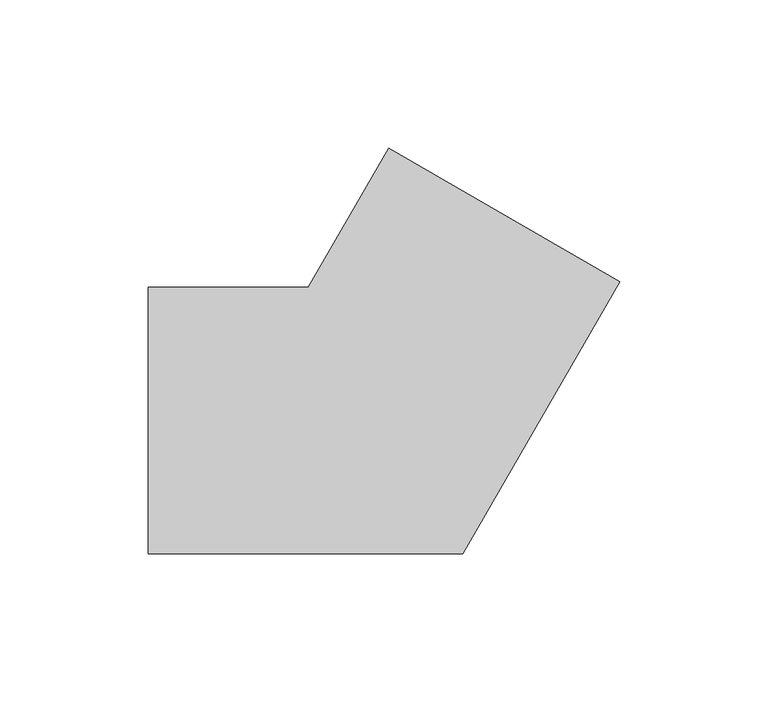
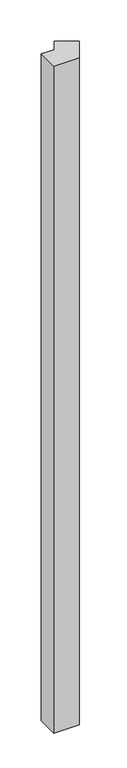
"""IFC4 building model written with IfcOpenShell, lengths in millimetres: member geometry."""

from ifc_helpers import new_model, si_unit, frame, origin, place, context, project, spatial, polyline, outline, extrude, source, transform, mapped, element, save


def member_a2c13f9f(model_context):
    return source(origin(), model_context, "Body", "SweptSolid", [
        extrude(outline(polyline([(78.9711432, 46.7820323), (25.9807621, -45.0), (-80.0, -45.0), (-80.0, 45.0), (-25.9807621, 45.0), (1.0288568, 91.7820323), (78.9711432, 46.7820323)])), frame((0.0, 0.0, -2955.0), z_axis=(0.0, 0.0, 1.0), x_axis=(1.0, 0.0, 0.0)), (0.0, 0.0, 1.0), 2955.0),
    ])


if __name__ == "__main__":
    model = new_model("IFC4")
    model_context = context("Model", 3, world=origin())
    ifc_project = project(units=[si_unit("LENGTHUNIT", "METRE", prefix="MILLI")], contexts=[model_context])
    site = spatial("IfcSite", under=ifc_project)
    building = spatial("IfcBuilding", under=site)
    placement = place(None, origin())
    member_shape = member_a2c13f9f(model_context)
    element("IfcMember", 1, at=placement, inside=building, context=model_context, shape_type="MappedRepresentation", body=[
        mapped(member_shape, transform((0.0, 0.0, 0.0), x_axis=(1.0, 0.0, 0.0), y_axis=(0.0, 1.0, 0.0), z_axis=(0.0, 0.0, 1.0))),
    ])
    save(model, "model.ifc")
